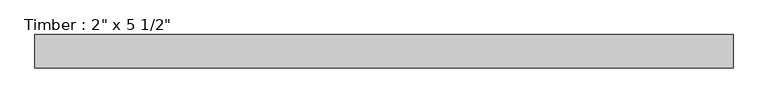
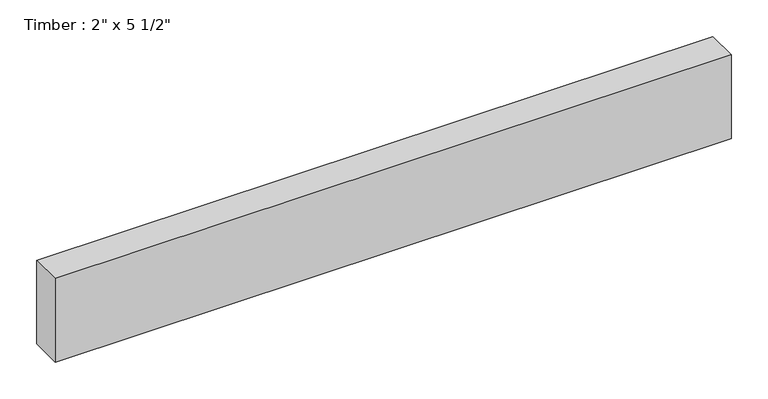
"""IFC4 building model written with IfcOpenShell, lengths in millimetres: beam geometry."""

from ifc_helpers import new_model, si_unit, frame, origin, place, context, project, spatial, polyline, outline, extrude, source, transform, mapped, element, save


def beam_9296777b(model_context):
    return source(origin(), model_context, "Body", "SweptSolid", [
        extrude(outline(polyline([(534.154122, 25.4), (534.154122, -25.4), (-534.154122, -25.4), (-534.154122, 25.4), (534.154122, 25.4)])), frame((0.0, 0.0, -69.85), z_axis=(0.0, 0.0, 1.0), x_axis=(1.0, 0.0, 0.0)), (0.0, 0.0, 1.0), 139.7),
    ])


if __name__ == "__main__":
    model = new_model("IFC4")
    model_context = context("Model", 3, world=origin())
    ifc_project = project(units=[si_unit("LENGTHUNIT", "METRE", prefix="MILLI")], contexts=[model_context])
    site = spatial("IfcSite", under=ifc_project)
    building = spatial("IfcBuilding", under=site)
    placement = place(None, origin())
    beam_shape = beam_9296777b(model_context)
    element("IfcBeam", 1, ObjectType="Timber : 2\" x 5 1/2\"", at=placement, inside=building, context=model_context, shape_type="MappedRepresentation", body=[
        mapped(beam_shape, transform((0.0, 0.0, 0.0), x_axis=(1.0, 0.0, 0.0), y_axis=(0.0, 1.0, 0.0), z_axis=(0.0, 0.0, 1.0))),
    ])
    save(model, "model.ifc")
